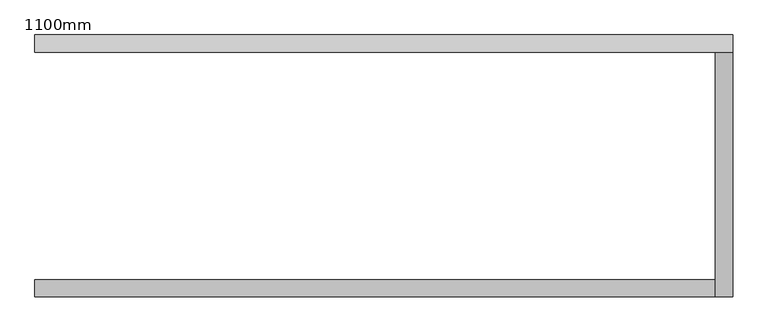
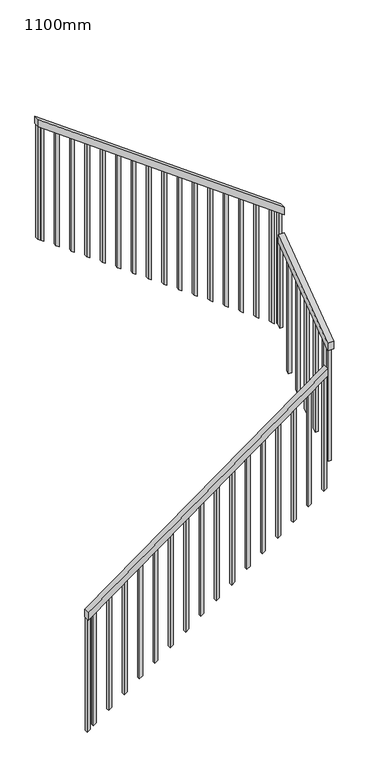
"""IFC4 building model written with IfcOpenShell, lengths in millimetres: railing geometry, 1100mm."""

from ifc_helpers import new_model, si_unit, frame, origin, place, context, project, spatial, polyline, outline, extrude, source, transform, mapped, element, save


def railing_1100mm_0028f6be(model_context):
    return source(origin(), model_context, "Body", "SweptSolid", [
        extrude(outline(polyline([(1281.8181818, 1277.8932271), (1219.9933159, 1277.8932271), (2638.1751341, 3227.8932271), (2700.0, 3227.8932271), (1281.8181818, 1277.8932271)])), frame((0.0, 3512.0434062, 0.0), z_axis=(0.0, 1.0, 0.0), x_axis=(0.0, 0.0, 1.0)), (0.0, 0.0, 1.0), 50.0),
        extrude(outline(polyline([(3512.0434062, 2856.3569522), (3512.0434062, 2918.1818182), (4212.0434062, 3427.2727273), (4212.0434062, 3365.4478613), (3512.0434062, 2856.3569522)])), frame((3227.8932271, 0.0, 0.0), z_axis=(1.0, 0.0, 0.0), x_axis=(0.0, 1.0, 0.0)), (0.0, 0.0, 1.0), 50.0),
        extrude(outline(polyline([(3583.6296795, 3277.8932271), (3645.4545455, 3277.8932271), (5100.0, 1277.8932271), (5038.1751341, 1277.8932271), (3583.6296795, 3277.8932271)])), frame((0.0, 4212.0434062, 0.0), z_axis=(0.0, 1.0, 0.0), x_axis=(0.0, 0.0, 1.0)), (0.0, 0.0, 1.0), 50.0),
        extrude(outline(polyline([(5001.8114977, 1327.8932271), (5019.9933159, 1302.8932271), (4047.560426, 1302.8932271), (4029.3786078, 1327.8932271), (5001.8114977, 1327.8932271)])), frame((0.0, 4224.5434062, 0.0), z_axis=(0.0, 1.0, 0.0), x_axis=(0.0, 0.0, 1.0)), (0.0, 0.0, 1.0), 25.0),
        extrude(outline(polyline([(4910.9024068, 1452.8932271), (4929.084225, 1427.8932271), (3956.6513351, 1427.8932271), (3938.4695169, 1452.8932271), (4910.9024068, 1452.8932271)])), frame((0.0, 4224.5434062, 0.0), z_axis=(0.0, 1.0, 0.0), x_axis=(0.0, 0.0, 1.0)), (0.0, 0.0, 1.0), 25.0),
        extrude(outline(polyline([(4819.9933159, 1577.8932271), (4838.1751341, 1552.8932271), (3865.7422442, 1552.8932271), (3847.560426, 1577.8932271), (4819.9933159, 1577.8932271)])), frame((0.0, 4224.5434062, 0.0), z_axis=(0.0, 1.0, 0.0), x_axis=(0.0, 0.0, 1.0)), (0.0, 0.0, 1.0), 25.0),
        extrude(outline(polyline([(4729.084225, 1702.8932271), (4747.2660431, 1677.8932271), (3774.8331533, 1677.8932271), (3756.6513351, 1702.8932271), (4729.084225, 1702.8932271)])), frame((0.0, 4224.5434062, 0.0), z_axis=(0.0, 1.0, 0.0), x_axis=(0.0, 0.0, 1.0)), (0.0, 0.0, 1.0), 25.0),
        extrude(outline(polyline([(4638.1751341, 1827.8932271), (4656.3569522, 1802.8932271), (3683.9240624, 1802.8932271), (3665.7422442, 1827.8932271), (4638.1751341, 1827.8932271)])), frame((0.0, 4224.5434062, 0.0), z_axis=(0.0, 1.0, 0.0), x_axis=(0.0, 0.0, 1.0)), (0.0, 0.0, 1.0), 25.0),
        extrude(outline(polyline([(4547.2660431, 1952.8932271), (4565.4478613, 1927.8932271), (3593.0149715, 1927.8932271), (3574.8331533, 1952.8932271), (4547.2660431, 1952.8932271)])), frame((0.0, 4224.5434062, 0.0), z_axis=(0.0, 1.0, 0.0), x_axis=(0.0, 0.0, 1.0)), (0.0, 0.0, 1.0), 25.0),
        extrude(outline(polyline([(4456.3569522, 2077.8932271), (4474.5387704, 2052.8932271), (3502.1058806, 2052.8932271), (3483.9240624, 2077.8932271), (4456.3569522, 2077.8932271)])), frame((0.0, 4224.5434062, 0.0), z_axis=(0.0, 1.0, 0.0), x_axis=(0.0, 0.0, 1.0)), (0.0, 0.0, 1.0), 25.0),
        extrude(outline(polyline([(4365.4478613, 2202.8932271), (4383.6296795, 2177.8932271), (3411.1967897, 2177.8932271), (3393.0149715, 2202.8932271), (4365.4478613, 2202.8932271)])), frame((0.0, 4224.5434062, 0.0), z_axis=(0.0, 1.0, 0.0), x_axis=(0.0, 0.0, 1.0)), (0.0, 0.0, 1.0), 25.0),
        extrude(outline(polyline([(4274.5387704, 2327.8932271), (4292.7205886, 2302.8932271), (3320.2876987, 2302.8932271), (3302.1058806, 2327.8932271), (4274.5387704, 2327.8932271)])), frame((0.0, 4224.5434062, 0.0), z_axis=(0.0, 1.0, 0.0), x_axis=(0.0, 0.0, 1.0)), (0.0, 0.0, 1.0), 25.0),
        extrude(outline(polyline([(4183.6296795, 2452.8932271), (4201.8114977, 2427.8932271), (3229.3786078, 2427.8932271), (3211.1967897, 2452.8932271), (4183.6296795, 2452.8932271)])), frame((0.0, 4224.5434062, 0.0), z_axis=(0.0, 1.0, 0.0), x_axis=(0.0, 0.0, 1.0)), (0.0, 0.0, 1.0), 25.0),
        extrude(outline(polyline([(4092.7205886, 2577.8932271), (4110.9024068, 2552.8932271), (3138.4695169, 2552.8932271), (3120.2876987, 2577.8932271), (4092.7205886, 2577.8932271)])), frame((0.0, 4224.5434062, 0.0), z_axis=(0.0, 1.0, 0.0), x_axis=(0.0, 0.0, 1.0)), (0.0, 0.0, 1.0), 25.0),
        extrude(outline(polyline([(4001.8114977, 2702.8932271), (4019.9933159, 2677.8932271), (3047.560426, 2677.8932271), (3029.3786078, 2702.8932271), (4001.8114977, 2702.8932271)])), frame((0.0, 4224.5434062, 0.0), z_axis=(0.0, 1.0, 0.0), x_axis=(0.0, 0.0, 1.0)), (0.0, 0.0, 1.0), 25.0),
        extrude(outline(polyline([(3910.9024068, 2827.8932271), (3929.084225, 2802.8932271), (2956.6513351, 2802.8932271), (2938.4695169, 2827.8932271), (3910.9024068, 2827.8932271)])), frame((0.0, 4224.5434062, 0.0), z_axis=(0.0, 1.0, 0.0), x_axis=(0.0, 0.0, 1.0)), (0.0, 0.0, 1.0), 25.0),
        extrude(outline(polyline([(3819.9933159, 2952.8932271), (3838.1751341, 2927.8932271), (2865.7422442, 2927.8932271), (2847.560426, 2952.8932271), (3819.9933159, 2952.8932271)])), frame((0.0, 4224.5434062, 0.0), z_axis=(0.0, 1.0, 0.0), x_axis=(0.0, 0.0, 1.0)), (0.0, 0.0, 1.0), 25.0),
        extrude(outline(polyline([(3729.084225, 3077.8932271), (3747.2660431, 3052.8932271), (2774.8331533, 3052.8932271), (2756.6513351, 3077.8932271), (3729.084225, 3077.8932271)])), frame((0.0, 4224.5434062, 0.0), z_axis=(0.0, 1.0, 0.0), x_axis=(0.0, 0.0, 1.0)), (0.0, 0.0, 1.0), 25.0),
        extrude(outline(polyline([(3638.1751341, 3202.8932271), (3656.3569522, 3177.8932271), (2683.9240624, 3177.8932271), (2665.7422442, 3202.8932271), (3638.1751341, 3202.8932271)])), frame((0.0, 4224.5434062, 0.0), z_axis=(0.0, 1.0, 0.0), x_axis=(0.0, 0.0, 1.0)), (0.0, 0.0, 1.0), 25.0),
        extrude(outline(polyline([(4212.0434062, 3365.4478613), (4237.0434062, 3383.6296795), (4237.0434062, 2638.4695169), (4212.0434062, 2620.2876987), (4212.0434062, 3365.4478613)])), frame((3240.3932271, 0.0, 0.0), z_axis=(1.0, 0.0, 0.0), x_axis=(0.0, 1.0, 0.0)), (0.0, 0.0, 1.0), 25.0),
        extrude(outline(polyline([(4087.0434062, 3274.5387704), (4112.0434062, 3292.7205886), (4112.0434062, 2320.2876987), (4087.0434062, 2302.1058806), (4087.0434062, 3274.5387704)])), frame((3240.3932271, 0.0, 0.0), z_axis=(1.0, 0.0, 0.0), x_axis=(0.0, 1.0, 0.0)), (0.0, 0.0, 1.0), 25.0),
        extrude(outline(polyline([(3962.0434062, 3183.6296795), (3987.0434062, 3201.8114977), (3987.0434062, 2229.3786078), (3962.0434062, 2211.1967897), (3962.0434062, 3183.6296795)])), frame((3240.3932271, 0.0, 0.0), z_axis=(1.0, 0.0, 0.0), x_axis=(0.0, 1.0, 0.0)), (0.0, 0.0, 1.0), 25.0),
        extrude(outline(polyline([(3837.0434062, 3092.7205886), (3862.0434062, 3110.9024068), (3862.0434062, 2138.4695169), (3837.0434062, 2120.2876987), (3837.0434062, 3092.7205886)])), frame((3240.3932271, 0.0, 0.0), z_axis=(1.0, 0.0, 0.0), x_axis=(0.0, 1.0, 0.0)), (0.0, 0.0, 1.0), 25.0),
        extrude(outline(polyline([(3712.0434062, 3001.8114977), (3737.0434062, 3019.9933159), (3737.0434062, 2047.560426), (3712.0434062, 2029.3786078), (3712.0434062, 3001.8114977)])), frame((3240.3932271, 0.0, 0.0), z_axis=(1.0, 0.0, 0.0), x_axis=(0.0, 1.0, 0.0)), (0.0, 0.0, 1.0), 25.0),
        extrude(outline(polyline([(3587.0434062, 2910.9024068), (3612.0434062, 2929.084225), (3612.0434062, 1956.6513351), (3587.0434062, 1938.4695169), (3587.0434062, 2910.9024068)])), frame((3240.3932271, 0.0, 0.0), z_axis=(1.0, 0.0, 0.0), x_axis=(0.0, 1.0, 0.0)), (0.0, 0.0, 1.0), 25.0),
        extrude(outline(polyline([(1647.560426, 3202.8932271), (1665.7422442, 3227.8932271), (2638.1751341, 3227.8932271), (2619.9933159, 3202.8932271), (1647.560426, 3202.8932271)])), frame((0.0, 3524.5434062, 0.0), z_axis=(0.0, 1.0, 0.0), x_axis=(0.0, 0.0, 1.0)), (0.0, 0.0, 1.0), 25.0),
        extrude(outline(polyline([(1556.6513351, 3077.8932271), (1574.8331533, 3102.8932271), (2547.2660431, 3102.8932271), (2529.084225, 3077.8932271), (1556.6513351, 3077.8932271)])), frame((0.0, 3524.5434062, 0.0), z_axis=(0.0, 1.0, 0.0), x_axis=(0.0, 0.0, 1.0)), (0.0, 0.0, 1.0), 25.0),
        extrude(outline(polyline([(1465.7422442, 2952.8932271), (1483.9240624, 2977.8932271), (2456.3569522, 2977.8932271), (2438.1751341, 2952.8932271), (1465.7422442, 2952.8932271)])), frame((0.0, 3524.5434062, 0.0), z_axis=(0.0, 1.0, 0.0), x_axis=(0.0, 0.0, 1.0)), (0.0, 0.0, 1.0), 25.0),
        extrude(outline(polyline([(1374.8331533, 2827.8932271), (1393.0149715, 2852.8932271), (2365.4478613, 2852.8932271), (2347.2660431, 2827.8932271), (1374.8331533, 2827.8932271)])), frame((0.0, 3524.5434062, 0.0), z_axis=(0.0, 1.0, 0.0), x_axis=(0.0, 0.0, 1.0)), (0.0, 0.0, 1.0), 25.0),
        extrude(outline(polyline([(1283.9240624, 2702.8932271), (1302.1058806, 2727.8932271), (2274.5387704, 2727.8932271), (2256.3569522, 2702.8932271), (1283.9240624, 2702.8932271)])), frame((0.0, 3524.5434062, 0.0), z_axis=(0.0, 1.0, 0.0), x_axis=(0.0, 0.0, 1.0)), (0.0, 0.0, 1.0), 25.0),
        extrude(outline(polyline([(1193.0149715, 2577.8932271), (1211.1967897, 2602.8932271), (2183.6296795, 2602.8932271), (2165.4478613, 2577.8932271), (1193.0149715, 2577.8932271)])), frame((0.0, 3524.5434062, 0.0), z_axis=(0.0, 1.0, 0.0), x_axis=(0.0, 0.0, 1.0)), (0.0, 0.0, 1.0), 25.0),
        extrude(outline(polyline([(1102.1058806, 2452.8932271), (1120.2876987, 2477.8932271), (2092.7205886, 2477.8932271), (2074.5387704, 2452.8932271), (1102.1058806, 2452.8932271)])), frame((0.0, 3524.5434062, 0.0), z_axis=(0.0, 1.0, 0.0), x_axis=(0.0, 0.0, 1.0)), (0.0, 0.0, 1.0), 25.0),
        extrude(outline(polyline([(1011.1967897, 2327.8932271), (1029.3786078, 2352.8932271), (2001.8114977, 2352.8932271), (1983.6296795, 2327.8932271), (1011.1967897, 2327.8932271)])), frame((0.0, 3524.5434062, 0.0), z_axis=(0.0, 1.0, 0.0), x_axis=(0.0, 0.0, 1.0)), (0.0, 0.0, 1.0), 25.0),
        extrude(outline(polyline([(920.2876987, 2202.8932271), (938.4695169, 2227.8932271), (1910.9024068, 2227.8932271), (1892.7205886, 2202.8932271), (920.2876987, 2202.8932271)])), frame((0.0, 3524.5434062, 0.0), z_axis=(0.0, 1.0, 0.0), x_axis=(0.0, 0.0, 1.0)), (0.0, 0.0, 1.0), 25.0),
        extrude(outline(polyline([(829.3786078, 2077.8932271), (847.560426, 2102.8932271), (1819.9933159, 2102.8932271), (1801.8114977, 2077.8932271), (829.3786078, 2077.8932271)])), frame((0.0, 3524.5434062, 0.0), z_axis=(0.0, 1.0, 0.0), x_axis=(0.0, 0.0, 1.0)), (0.0, 0.0, 1.0), 25.0),
        extrude(outline(polyline([(738.4695169, 1952.8932271), (756.6513351, 1977.8932271), (1729.084225, 1977.8932271), (1710.9024068, 1952.8932271), (738.4695169, 1952.8932271)])), frame((0.0, 3524.5434062, 0.0), z_axis=(0.0, 1.0, 0.0), x_axis=(0.0, 0.0, 1.0)), (0.0, 0.0, 1.0), 25.0),
        extrude(outline(polyline([(647.560426, 1827.8932271), (665.7422442, 1852.8932271), (1638.1751341, 1852.8932271), (1619.9933159, 1827.8932271), (647.560426, 1827.8932271)])), frame((0.0, 3524.5434062, 0.0), z_axis=(0.0, 1.0, 0.0), x_axis=(0.0, 0.0, 1.0)), (0.0, 0.0, 1.0), 25.0),
        extrude(outline(polyline([(556.6513351, 1702.8932271), (574.8331533, 1727.8932271), (1547.2660431, 1727.8932271), (1529.084225, 1702.8932271), (556.6513351, 1702.8932271)])), frame((0.0, 3524.5434062, 0.0), z_axis=(0.0, 1.0, 0.0), x_axis=(0.0, 0.0, 1.0)), (0.0, 0.0, 1.0), 25.0),
        extrude(outline(polyline([(465.7422442, 1577.8932271), (483.9240624, 1602.8932271), (1456.3569522, 1602.8932271), (1438.1751341, 1577.8932271), (465.7422442, 1577.8932271)])), frame((0.0, 3524.5434062, 0.0), z_axis=(0.0, 1.0, 0.0), x_axis=(0.0, 0.0, 1.0)), (0.0, 0.0, 1.0), 25.0),
        extrude(outline(polyline([(374.8331533, 1452.8932271), (393.0149715, 1477.8932271), (1365.4478613, 1477.8932271), (1347.2660431, 1452.8932271), (374.8331533, 1452.8932271)])), frame((0.0, 3524.5434062, 0.0), z_axis=(0.0, 1.0, 0.0), x_axis=(0.0, 0.0, 1.0)), (0.0, 0.0, 1.0), 25.0),
        extrude(outline(polyline([(283.9240624, 1327.8932271), (302.1058806, 1352.8932271), (1274.5387704, 1352.8932271), (1256.3569522, 1327.8932271), (283.9240624, 1327.8932271)])), frame((0.0, 3524.5434062, 0.0), z_axis=(0.0, 1.0, 0.0), x_axis=(0.0, 0.0, 1.0)), (0.0, 0.0, 1.0), 25.0),
        extrude(outline(polyline([(3592.7205886, 3265.3932271), (3610.9024068, 3240.3932271), (2638.4695169, 3240.3932271), (2620.2876987, 3265.3932271), (3592.7205886, 3265.3932271)])), frame((0.0, 4224.5434062, 0.0), z_axis=(0.0, 1.0, 0.0), x_axis=(0.0, 0.0, 1.0)), (0.0, 0.0, 1.0), 25.0),
        extrude(outline(polyline([(3524.5434062, 2865.4478613), (3549.5434062, 2883.6296795), (3549.5434062, 1911.1967897), (3524.5434062, 1893.0149715), (3524.5434062, 2865.4478613)])), frame((3240.3932271, 0.0, 0.0), z_axis=(1.0, 0.0, 0.0), x_axis=(0.0, 1.0, 0.0)), (0.0, 0.0, 1.0), 25.0),
        extrude(outline(polyline([(5019.9933159, 1302.8932271), (5038.1751341, 1277.8932271), (4065.7422442, 1277.8932271), (4047.560426, 1302.8932271), (5019.9933159, 1302.8932271)])), frame((0.0, 4224.5434062, 0.0), z_axis=(0.0, 1.0, 0.0), x_axis=(0.0, 0.0, 1.0)), (0.0, 0.0, 1.0), 25.0),
        extrude(outline(polyline([(247.560426, 1277.8932271), (265.7422442, 1302.8932271), (1238.1751341, 1302.8932271), (1219.9933159, 1277.8932271), (247.560426, 1277.8932271)])), frame((0.0, 3524.5434062, 0.0), z_axis=(0.0, 1.0, 0.0), x_axis=(0.0, 0.0, 1.0)), (0.0, 0.0, 1.0), 25.0),
    ])


if __name__ == "__main__":
    model = new_model("IFC4")
    model_context = context("Model", 3, world=origin())
    ifc_project = project(units=[si_unit("LENGTHUNIT", "METRE", prefix="MILLI")], contexts=[model_context])
    site = spatial("IfcSite", under=ifc_project)
    building = spatial("IfcBuilding", under=site)
    placement = place(None, origin())
    railing_1100mm_shape = railing_1100mm_0028f6be(model_context)
    element("IfcRailing", 1, ObjectType="1100mm", at=placement, inside=building, context=model_context, shape_type="MappedRepresentation", body=[
        mapped(railing_1100mm_shape, transform((0.0, 0.0, 0.0), x_axis=(1.0, 0.0, 0.0), y_axis=(0.0, 1.0, 0.0), z_axis=(0.0, 0.0, 1.0))),
    ])
    save(model, "model.ifc")
